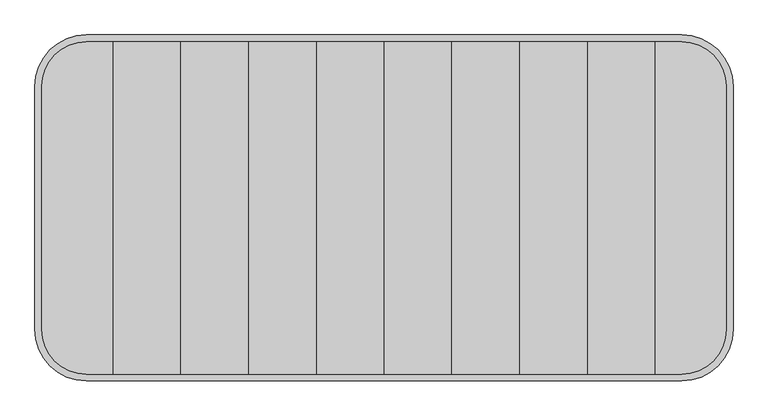
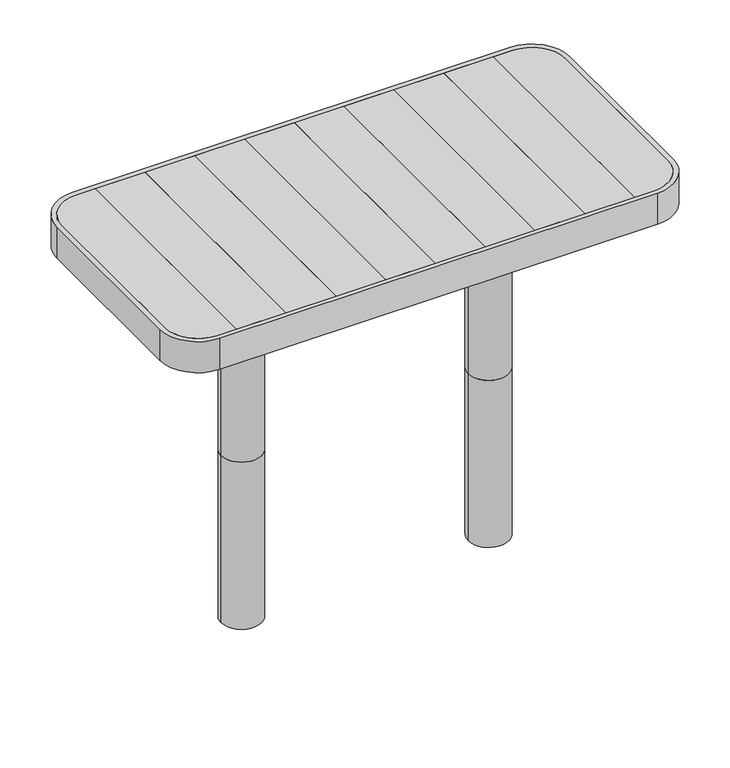
"""IFC4 building model written with IfcOpenShell, lengths in millimetres: furniture geometry."""

from ifc_helpers import new_model, si_unit, point, frame, frame_2d, origin, origin_with_axes, place, context, project, spatial, polyline, circle_curve, trimmed, segment, composite_curve, outline, extrude, source, transform, mapped, element, save
from ifc_brep_helpers import plane_surface, cylinder_surface, advanced_brep


def furniture_d23879cb(model_context):
    return source(origin(), model_context, "Body", "SolidModel", [
        extrude(outline(composite_curve([segment(trimmed(circle_curve(frame_2d((244.75, 0.0)), 40.0), [point((284.75, 0.0))], [point((204.75, 0.0))], False, "CARTESIAN"), True, "CONTINUOUS"), segment(trimmed(circle_curve(frame_2d((244.75, 0.0)), 40.0), [point((204.75, 0.0))], [point((284.75, 0.0))], False, "CARTESIAN"), True, "CONTINUOUS")], self_intersect=False)), origin_with_axes(), (0.0, 0.0, 1.0), 418.0),
        extrude(outline(composite_curve([segment(trimmed(circle_curve(frame_2d((-244.75, 0.0)), 40.0), [point((-284.75, 0.0))], [point((-204.75, 0.0))], False, "CARTESIAN"), True, "CONTINUOUS"), segment(trimmed(circle_curve(frame_2d((-244.75, 0.0)), 40.0), [point((-204.75, 0.0))], [point((-284.75, 0.0))], False, "CARTESIAN"), True, "CONTINUOUS")], self_intersect=False)), origin_with_axes(), (0.0, 0.0, 1.0), 418.0),
        extrude(outline(composite_curve([segment(polyline([(498.4574582, 177.0), (498.4574582, -177.0)]), True, "CONTINUOUS"), segment(trimmed(circle_curve(frame_2d((433.4574582, -177.0)), 65.0), [point((498.4574582, -177.0))], [point((433.4574582, -242.0))], False, "CARTESIAN"), True, "CONTINUOUS"), segment(polyline([(433.4574582, -242.0), (394.8, -242.0), (394.8, 242.0), (433.4574582, 242.0)]), True, "CONTINUOUS"), segment(trimmed(circle_curve(frame_2d((433.4574582, 177.0)), 65.0), [point((433.4574582, 242.0))], [point((498.4574582, 177.0))], False, "CARTESIAN"), True, "CONTINUOUS")], self_intersect=False)), frame((0.0, 0.0, 422.0), z_axis=(0.0, 0.0, 1.0), x_axis=(1.0, 0.0, 0.0)), (0.0, 0.0, 1.0), 28.0),
        extrude(outline(polyline([(296.1, -242.0), (197.4, -242.0), (197.4, 242.0), (296.1, 242.0), (296.1, -242.0)])), frame((0.0, 0.0, 422.0), z_axis=(0.0, 0.0, 1.0), x_axis=(1.0, 0.0, 0.0)), (0.0, 0.0, 1.0), 28.0),
        extrude(outline(polyline([(197.4, -242.0), (98.7, -242.0), (98.7, 242.0), (197.4, 242.0), (197.4, -242.0)])), frame((0.0, 0.0, 422.0), z_axis=(0.0, 0.0, 1.0), x_axis=(1.0, 0.0, 0.0)), (0.0, 0.0, 1.0), 28.0),
        extrude(outline(polyline([(98.7, -242.0), (0.0, -242.0), (0.0, 242.0), (98.7, 242.0), (98.7, -242.0)])), frame((0.0, 0.0, 422.0), z_axis=(0.0, 0.0, 1.0), x_axis=(1.0, 0.0, 0.0)), (0.0, 0.0, 1.0), 28.0),
        extrude(outline(polyline([(394.8, -242.0), (296.1, -242.0), (296.1, 242.0), (394.8, 242.0), (394.8, -242.0)])), frame((0.0, 0.0, 422.0), z_axis=(0.0, 0.0, 1.0), x_axis=(1.0, 0.0, 0.0)), (0.0, 0.0, 1.0), 28.0),
        advanced_brep(
        [(-498.4574582, 177.0, 418.0), (-433.4574582, 242.0, 418.0), (433.4574582, 242.0, 418.0), (498.4574582, 177.0, 418.0), (498.4574582, -177.0, 418.0), (433.4574582, -242.0, 418.0), (-433.4574582, -242.0, 418.0), (-498.4574582, -177.0, 418.0), (203.7333261, -142.0, 418.0), (203.7333261, 142.0, 418.0), (-203.7333261, 141.9911227, 418.0), (-203.7333261, -142.0, 418.0), (284.75, 142.0, 418.0), (284.75, -142.0, 418.0), (399.8, -142.0, 418.0), (399.8, 141.9868511, 418.0), (-399.8, -142.0, 418.0), (-284.75, -142.0, 418.0), (-284.75, 142.0, 418.0), (-399.8, 141.9868511, 418.0), (284.75, 141.9868511, 422.0), (284.75, -142.0, 422.0), (-498.4574582, 177.0, 422.0), (-498.4574582, -177.0, 422.0), (-433.4574582, -242.0, 422.0), (433.4574582, -242.0, 422.0), (498.4574582, -177.0, 422.0), (498.4574582, 177.0, 422.0), (433.4574582, 242.0, 422.0), (-433.4574582, 242.0, 422.0), (399.8, 141.9868511, 422.0), (399.8, -142.0, 422.0), (203.7333261, 142.0, 422.0), (203.7333261, -142.0, 422.0), (-203.7333261, -142.0, 422.0), (-203.7333261, 142.0, 422.0), (-399.8, 141.9868511, 422.0), (-284.75, 141.9893576, 422.0), (-284.75, -142.0, 422.0), (-399.8, -142.0, 422.0)],
        [
            (0, 1, circle_curve(frame((-433.4574582, 177.0, 418.0), z_axis=(0.0, 0.0, -1.0), x_axis=(1.0, 0.0, 0.0)), 65.0)),
            (1, 2),
            (2, 3, circle_curve(frame((433.4574582, 177.0, 418.0), z_axis=(0.0, 0.0, -1.0), x_axis=(-1.0, 0.0, 0.0)), 65.0)),
            (3, 4),
            (4, 5, circle_curve(frame((433.4574582, -177.0, 418.0), z_axis=(0.0, 0.0, -1.0), x_axis=(-1.0, 0.0, 0.0)), 65.0)),
            (5, 6),
            (6, 7, circle_curve(frame((-433.4574582, -177.0, 418.0), z_axis=(0.0, 0.0, -1.0), x_axis=(1.0, 0.0, 0.0)), 65.0)),
            (7, 0),
            (8, 9),
            (9, 10),
            (10, 11),
            (11, 8),
            (12, 13),
            (13, 14),
            (14, 15),
            (15, 12),
            (16, 17),
            (17, 18),
            (18, 19),
            (19, 16),
            (12, 20),
            (20, 21),
            (21, 13),
            (22, 23),
            (23, 24, circle_curve(frame((-433.4574582, -177.0, 422.0), z_axis=(0.0, 0.0, 1.0), x_axis=(1.0, 0.0, 0.0)), 65.0)),
            (24, 25),
            (25, 26, circle_curve(frame((433.4574582, -177.0, 422.0), z_axis=(0.0, 0.0, 1.0), x_axis=(-1.0, 0.0, 0.0)), 65.0)),
            (26, 27),
            (27, 28, circle_curve(frame((433.4574582, 177.0, 422.0), z_axis=(0.0, 0.0, 1.0), x_axis=(-1.0, 0.0, 0.0)), 65.0)),
            (28, 29),
            (29, 22, circle_curve(frame((-433.4574582, 177.0, 422.0), z_axis=(0.0, 0.0, 1.0), x_axis=(1.0, 0.0, 0.0)), 65.0)),
            (20, 30),
            (30, 31),
            (31, 21),
            (32, 33),
            (33, 34),
            (34, 35),
            (35, 32),
            (36, 37),
            (37, 38),
            (38, 39),
            (39, 36),
            (8, 33),
            (32, 9),
            (22, 0),
            (7, 23),
            (6, 24),
            (5, 25),
            (4, 26),
            (3, 27),
            (2, 28),
            (1, 29),
            (35, 10),
            (36, 19),
            (18, 37),
            (15, 30),
            (14, 31),
            (11, 34),
            (16, 39),
            (38, 17),
        ],
        [
            plane_surface(frame((203.7333261, -142.0, 418.0), z_axis=(0.0, 0.0, -1.0), x_axis=(0.0, 1.0, 0.0))),
            plane_surface(frame((284.75, -142.0, 418.0), z_axis=(1.0, 0.0, 0.0), x_axis=(0.0, 1.0, 0.0))),
            plane_surface(frame((284.75, -142.0, 422.0), z_axis=(0.0, 0.0, 1.0), x_axis=(0.0, 1.0, 0.0))),
            plane_surface(frame((203.7333261, -142.0, 422.0), z_axis=(-1.0, 0.0, 0.0), x_axis=(0.0, 1.0, 0.0))),
            plane_surface(frame((-498.4574582, 177.0, 422.0), z_axis=(-1.0, 0.0, 0.0), x_axis=(0.0, 0.0, -1.0))),
            cylinder_surface(frame((-433.4574582, -177.0, 418.0), z_axis=(0.0, 0.0, 1.0), x_axis=(1.0, 0.0, 0.0)), 65.0),
            plane_surface(frame((-433.4574582, -242.0, 422.0), z_axis=(0.0, -1.0, 0.0), x_axis=(0.0, 0.0, -1.0))),
            cylinder_surface(frame((433.4574582, -177.0, 418.0), z_axis=(0.0, 0.0, 1.0), x_axis=(-1.0, 0.0, 0.0)), 65.0),
            plane_surface(frame((498.4574582, -177.0, 422.0), z_axis=(1.0, 0.0, 0.0), x_axis=(0.0, 0.0, -1.0))),
            cylinder_surface(frame((433.4574582, 177.0, 418.0), z_axis=(0.0, 0.0, 1.0), x_axis=(-1.0, 0.0, 0.0)), 65.0),
            plane_surface(frame((433.4574582, 242.0, 422.0), z_axis=(0.0, 1.0, 0.0), x_axis=(0.0, 0.0, -1.0))),
            cylinder_surface(frame((-433.4574582, 177.0, 418.0), z_axis=(0.0, 0.0, 1.0), x_axis=(1.0, 0.0, 0.0)), 65.0),
            plane_surface(frame((-399.8, 141.9868511, 422.0), z_axis=(0.0, -1.0, 0.0), x_axis=(0.0, 0.0, -1.0))),
            plane_surface(frame((399.8, 141.9868511, 422.0), z_axis=(-1.0, 0.0, 0.0), x_axis=(0.0, 0.0, -1.0))),
            plane_surface(frame((399.8, -142.0, 422.0), z_axis=(0.0, 1.0, 0.0), x_axis=(0.0, 0.0, -1.0))),
            plane_surface(frame((-399.8, -142.0, 422.0), z_axis=(1.0, 0.0, 0.0), x_axis=(0.0, 0.0, -1.0))),
            plane_surface(frame((-284.75, -142.0, 422.0), z_axis=(-1.0, 0.0, 0.0), x_axis=(0.0, 1.0, 0.0))),
            plane_surface(frame((-203.7333261, -142.0, 418.0), z_axis=(1.0, 0.0, 0.0), x_axis=(0.0, 1.0, 0.0))),
        ],
        [
            (0, [[1, 2, 3, 4, 5, 6, 7, 8], [9, 10, 11, 12], [13, 14, 15, 16], [17, 18, 19, 20]]),
            (1, [[-13, 21, 22, 23]]),
            (2, [[24, 25, 26, 27, 28, 29, 30, 31], [-22, 32, 33, 34], [35, 36, 37, 38], [39, 40, 41, 42]]),
            (3, [[-9, 43, -35, 44]]),
            (4, [[-24, 45, -8, 46]]),
            (5, [[-25, -46, -7, 47]]),
            (6, [[-26, -47, -6, 48]]),
            (7, [[-27, -48, -5, 49]]),
            (8, [[-28, -49, -4, 50]]),
            (9, [[-29, -50, -3, 51]]),
            (10, [[-30, -51, -2, 52]]),
            (11, [[-31, -52, -1, -45]]),
            (12, [[-44, -38, 53, -10]]),
            (12, [[54, -19, 55, -39]]),
            (12, [[56, -32, -21, -16]]),
            (13, [[-33, -56, -15, 57]]),
            (14, [[-43, -12, 58, -36]]),
            (14, [[-57, -14, -23, -34]]),
            (14, [[59, -41, 60, -17]]),
            (15, [[-42, -59, -20, -54]]),
            (16, [[-18, -60, -40, -55]]),
            (17, [[-11, -53, -37, -58]]),
        ],
    ),
        extrude(outline(composite_curve([segment(trimmed(circle_curve(frame_2d((-433.4574582, 177.0)), 65.0), [point((-498.4574582, 177.0))], [point((-433.4574582, 242.0))], False, "CARTESIAN"), True, "CONTINUOUS"), segment(polyline([(-433.4574582, 242.0), (-394.8, 242.0), (-394.8, -242.0), (-433.4574582, -242.0)]), True, "CONTINUOUS"), segment(trimmed(circle_curve(frame_2d((-433.4574582, -177.0)), 65.0), [point((-433.4574582, -242.0))], [point((-498.4574582, -177.0))], False, "CARTESIAN"), True, "CONTINUOUS"), segment(polyline([(-498.4574582, -177.0), (-498.4574582, 177.0)]), True, "CONTINUOUS")], self_intersect=False)), frame((0.0, 0.0, 422.0), z_axis=(0.0, 0.0, 1.0), x_axis=(1.0, 0.0, 0.0)), (0.0, 0.0, 1.0), 28.0),
        extrude(outline(polyline([(-197.4, -242.0), (-296.1, -242.0), (-296.1, 242.0), (-197.4, 242.0), (-197.4, -242.0)])), frame((0.0, 0.0, 422.0), z_axis=(0.0, 0.0, 1.0), x_axis=(1.0, 0.0, 0.0)), (0.0, 0.0, 1.0), 28.0),
        extrude(outline(polyline([(-98.7, -242.0), (-197.4, -242.0), (-197.4, 242.0), (-98.7, 242.0), (-98.7, -242.0)])), frame((0.0, 0.0, 422.0), z_axis=(0.0, 0.0, 1.0), x_axis=(1.0, 0.0, 0.0)), (0.0, 0.0, 1.0), 28.0),
        extrude(outline(polyline([(0.0, -242.0), (-98.7, -242.0), (-98.7, 242.0), (0.0, 242.0), (0.0, -242.0)])), frame((0.0, 0.0, 422.0), z_axis=(0.0, 0.0, 1.0), x_axis=(1.0, 0.0, 0.0)), (0.0, 0.0, 1.0), 28.0),
        extrude(outline(polyline([(-296.1, -242.0), (-394.8, -242.0), (-394.8, 242.0), (-296.1, 242.0), (-296.1, -242.0)])), frame((0.0, 0.0, 422.0), z_axis=(0.0, 0.0, 1.0), x_axis=(1.0, 0.0, 0.0)), (0.0, 0.0, 1.0), 28.0),
        extrude(outline(composite_curve([segment(polyline([(508.4574582, 177.0), (508.4574582, -177.0)]), True, "CONTINUOUS"), segment(trimmed(circle_curve(frame_2d((433.4574582, -177.0)), 75.0), [point((508.4574582, -177.0))], [point((433.4574582, -252.0))], False, "CARTESIAN"), True, "CONTINUOUS"), segment(polyline([(433.4574582, -252.0), (-433.4574582, -252.0)]), True, "CONTINUOUS"), segment(trimmed(circle_curve(frame_2d((-433.4574582, -177.0)), 75.0), [point((-433.4574582, -252.0))], [point((-508.4574582, -177.0))], False, "CARTESIAN"), True, "CONTINUOUS"), segment(polyline([(-508.4574582, -177.0), (-508.4574582, 177.0)]), True, "CONTINUOUS"), segment(trimmed(circle_curve(frame_2d((-433.4574582, 177.0)), 75.0), [point((-508.4574582, 177.0))], [point((-433.4574582, 252.0))], False, "CARTESIAN"), True, "CONTINUOUS"), segment(polyline([(-433.4574582, 252.0), (433.4574582, 252.0)]), True, "CONTINUOUS"), segment(trimmed(circle_curve(frame_2d((433.4574582, 177.0)), 75.0), [point((433.4574582, 252.0))], [point((508.4574582, 177.0))], False, "CARTESIAN"), True, "CONTINUOUS")], self_intersect=False), holes=[composite_curve([segment(trimmed(circle_curve(frame_2d((-433.4574582, 177.0)), 65.0), [point((-433.4574582, 242.0))], [point((-498.4574582, 177.0))], True, "CARTESIAN"), True, "CONTINUOUS"), segment(polyline([(-498.4574582, 177.0), (-498.4574582, -177.0)]), True, "CONTINUOUS"), segment(trimmed(circle_curve(frame_2d((-433.4574582, -177.0)), 65.0), [point((-498.4574582, -177.0))], [point((-433.4574582, -242.0))], True, "CARTESIAN"), True, "CONTINUOUS"), segment(polyline([(-433.4574582, -242.0), (433.4574582, -242.0)]), True, "CONTINUOUS"), segment(trimmed(circle_curve(frame_2d((433.4574582, -177.0)), 65.0), [point((433.4574582, -242.0))], [point((498.4574582, -177.0))], True, "CARTESIAN"), True, "CONTINUOUS"), segment(polyline([(498.4574582, -177.0), (498.4574582, 177.0)]), True, "CONTINUOUS"), segment(trimmed(circle_curve(frame_2d((433.4574582, 177.0)), 65.0), [point((498.4574582, 177.0))], [point((433.4574582, 242.0))], True, "CARTESIAN"), True, "CONTINUOUS"), segment(polyline([(433.4574582, 242.0), (-433.4574582, 242.0)]), True, "CONTINUOUS")], self_intersect=False)]), frame((0.0, 0.0, 385.0000413), z_axis=(0.0, 0.0, 1.0), x_axis=(1.0, 0.0, 0.0)), (0.0, 0.0, 1.0), 64.9999587),
        extrude(outline(composite_curve([segment(trimmed(circle_curve(frame_2d((244.75, 0.0)), 40.0), [point((284.75, 0.0))], [point((204.75, 0.0))], False, "CARTESIAN"), True, "CONTINUOUS"), segment(trimmed(circle_curve(frame_2d((244.75, 0.0)), 40.0), [point((204.75, 0.0))], [point((284.75, 0.0))], False, "CARTESIAN"), True, "CONTINUOUS")], self_intersect=False)), frame((0.0, 0.0, -350.0), z_axis=(0.0, 0.0, 1.0), x_axis=(1.0, 0.0, 0.0)), (0.0, 0.0, 1.0), 350.0),
        extrude(outline(composite_curve([segment(trimmed(circle_curve(frame_2d((-244.75, 0.0)), 40.0), [point((-284.75, 0.0))], [point((-204.75, 0.0))], False, "CARTESIAN"), True, "CONTINUOUS"), segment(trimmed(circle_curve(frame_2d((-244.75, 0.0)), 40.0), [point((-204.75, 0.0))], [point((-284.75, 0.0))], False, "CARTESIAN"), True, "CONTINUOUS")], self_intersect=False)), frame((0.0, 0.0, -350.0), z_axis=(0.0, 0.0, 1.0), x_axis=(1.0, 0.0, 0.0)), (0.0, 0.0, 1.0), 350.0),
    ])


if __name__ == "__main__":
    model = new_model("IFC4")
    model_context = context("Model", 3, world=origin())
    ifc_project = project(units=[si_unit("LENGTHUNIT", "METRE", prefix="MILLI")], contexts=[model_context])
    site = spatial("IfcSite", under=ifc_project)
    building = spatial("IfcBuilding", under=site)
    placement = place(None, origin())
    furniture_shape = furniture_d23879cb(model_context)
    element("IfcFurniture", 1, at=placement, inside=building, context=model_context, shape_type="MappedRepresentation", body=[
        mapped(furniture_shape, transform((0.0, 0.0, 0.0), x_axis=(1.0, 0.0, 0.0), y_axis=(0.0, 1.0, 0.0), z_axis=(0.0, 0.0, 1.0))),
    ])
    save(model, "model.ifc")
